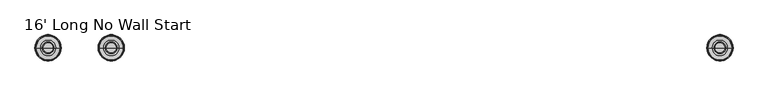
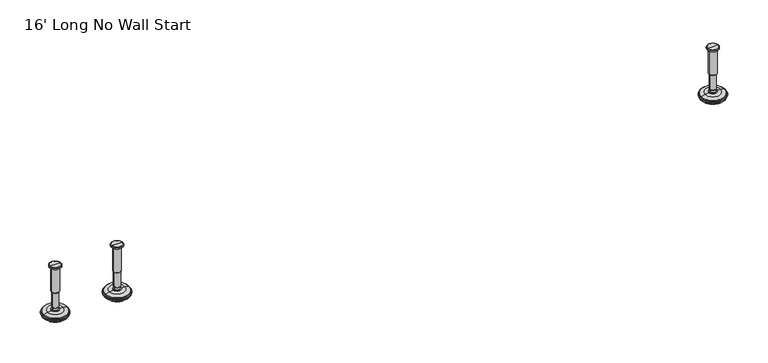
"""IFC4 building model written with IfcOpenShell, lengths in millimetres: furniture geometry, 16' Long No Wall Start."""

from ifc_helpers import new_model, si_unit, frame, origin, place, context, project, spatial, polyline, circle_curve, source, transform, mapped, element, save
from ifc_brep_helpers import plane_surface, cylinder_surface, revolved_surface, advanced_brep


def furniture_16_long_no_wall_start_8f96a8e6(model_context):
    return source(origin(), model_context, "Body", "AdvancedBrep", [
        advanced_brep(
        [(3714.9364323, 0.0, 101.6), (3723.9143537, 0.0, 101.6), (3705.9585109, 0.0, 101.6), (3729.0406722, 0.0, 0.0206943), (3714.9364323, 0.0, 0.0206943), (3700.8321924, 0.0, 0.0206943), (3733.918704, 0.0, 1.4194474), (3695.9541606, 0.0, 1.4194474), (3737.680619, 0.0, 4.7394056), (3692.1922456, 0.0, 4.7394056), (3738.7980686, 0.0, 7.5051905), (3691.074796, 0.0, 7.5051905), (3738.7980686, 0.0, 8.3065967), (3691.074796, 0.0, 8.3065967), (3737.9556654, 0.0, 9.8469348), (3691.9171992, 0.0, 9.8469348), (3736.8555228, 0.0, 10.8375077), (3693.0173418, 0.0, 10.8375077), (3729.5518276, 0.0, 12.7338946), (3700.321037, 0.0, 12.7338946), (3722.1336762, 0.0, 13.3828987), (3707.7391884, 0.0, 13.3828987), (3722.1336762, 0.0, 14.1772758), (3707.7391884, 0.0, 14.1772758), (3719.7368834, 0.0, 14.1772758), (3710.1359812, 0.0, 14.1772758), (3719.7368834, 0.0, 18.8098403), (3710.1359812, 0.0, 18.8098403), (3720.752736, 0.0, 19.8256929), (3709.1201286, 0.0, 19.8256929), (3720.752736, 0.0, 48.3056352), (3709.1201286, 0.0, 48.3056352), (3721.9762639, 0.0, 49.9293116), (3707.8966007, 0.0, 49.9293116), (3721.9762639, 0.0, 97.327223), (3707.8966007, 0.0, 97.327223), (3722.8573683, 0.0, 97.6479188), (3707.0154963, 0.0, 97.6479188), (3723.9063572, 0.0, 97.6479188), (3705.9665074, 0.0, 97.6479188), (3725.5713871, 0.0, 98.6092242), (3704.3014775, 0.0, 98.6092242), (3725.5713871, 0.0, 100.6043539), (3704.3014775, 0.0, 100.6043539)],
        [
            (0, 1),
            (1, 2, circle_curve(frame((3714.9364323, 0.0, 101.6), z_axis=(0.0, 0.0, 1.0), x_axis=(-1.0, 0.0, 0.0)), 8.9779214)),
            (2, 0),
            (2, 1, circle_curve(frame((3714.9364323, 0.0, 101.6), z_axis=(0.0, 0.0, 1.0), x_axis=(-1.0, 0.0, 0.0)), 8.9779214)),
            (3, 4),
            (4, 5),
            (5, 3, circle_curve(frame((3714.9364323, 0.0, 0.0206943), z_axis=(0.0, 0.0, -1.0), x_axis=(-1.0, 0.0, 0.0)), 14.1042399)),
            (3, 5, circle_curve(frame((3714.9364323, 0.0, 0.0206943), z_axis=(0.0, 0.0, -1.0), x_axis=(-1.0, 0.0, 0.0)), 14.1042399)),
            (6, 3),
            (5, 7),
            (7, 6, circle_curve(frame((3714.9364323, 0.0, 1.4194474), z_axis=(0.0, 0.0, -1.0), x_axis=(-1.0, 0.0, 0.0)), 18.9822717)),
            (6, 7, circle_curve(frame((3714.9364323, 0.0, 1.4194474), z_axis=(0.0, 0.0, -1.0), x_axis=(-1.0, 0.0, 0.0)), 18.9822717)),
            (8, 6),
            (7, 9),
            (9, 8, circle_curve(frame((3714.9364323, 0.0, 4.7394056), z_axis=(0.0, 0.0, -1.0), x_axis=(-1.0, 0.0, 0.0)), 22.7441867)),
            (8, 9, circle_curve(frame((3714.9364323, 0.0, 4.7394056), z_axis=(0.0, 0.0, -1.0), x_axis=(-1.0, 0.0, 0.0)), 22.7441867)),
            (10, 8),
            (9, 11),
            (11, 10, circle_curve(frame((3714.9364323, 0.0, 7.5051905), z_axis=(0.0, 0.0, -1.0), x_axis=(-1.0, 0.0, 0.0)), 23.8616363)),
            (10, 11, circle_curve(frame((3714.9364323, 0.0, 7.5051905), z_axis=(0.0, 0.0, -1.0), x_axis=(-1.0, 0.0, 0.0)), 23.8616363)),
            (12, 10),
            (11, 13),
            (13, 12, circle_curve(frame((3714.9364323, 0.0, 8.3065967), z_axis=(0.0, 0.0, -1.0), x_axis=(-1.0, 0.0, 0.0)), 23.8616363)),
            (12, 13, circle_curve(frame((3714.9364323, 0.0, 8.3065967), z_axis=(0.0, 0.0, -1.0), x_axis=(-1.0, 0.0, 0.0)), 23.8616363)),
            (14, 12),
            (13, 15),
            (15, 14, circle_curve(frame((3714.9364323, 0.0, 9.8469348), z_axis=(0.0, 0.0, -1.0), x_axis=(-1.0, 0.0, 0.0)), 23.0192331)),
            (14, 15, circle_curve(frame((3714.9364323, 0.0, 9.8469348), z_axis=(0.0, 0.0, -1.0), x_axis=(-1.0, 0.0, 0.0)), 23.0192331)),
            (16, 14),
            (15, 17),
            (17, 16, circle_curve(frame((3714.9364323, 0.0, 10.8375077), z_axis=(0.0, 0.0, -1.0), x_axis=(-1.0, 0.0, 0.0)), 21.9190905)),
            (16, 17, circle_curve(frame((3714.9364323, 0.0, 10.8375077), z_axis=(0.0, 0.0, -1.0), x_axis=(-1.0, 0.0, 0.0)), 21.9190905)),
            (18, 16),
            (17, 19),
            (19, 18, circle_curve(frame((3714.9364323, 0.0, 12.7338946), z_axis=(0.0, 0.0, -1.0), x_axis=(-1.0, 0.0, 0.0)), 14.6153953)),
            (18, 19, circle_curve(frame((3714.9364323, 0.0, 12.7338946), z_axis=(0.0, 0.0, -1.0), x_axis=(-1.0, 0.0, 0.0)), 14.6153953)),
            (20, 18),
            (19, 21),
            (21, 20, circle_curve(frame((3714.9364323, 0.0, 13.3828987), z_axis=(0.0, 0.0, -1.0), x_axis=(-1.0, 0.0, 0.0)), 7.1972439)),
            (20, 21, circle_curve(frame((3714.9364323, 0.0, 13.3828987), z_axis=(0.0, 0.0, -1.0), x_axis=(-1.0, 0.0, 0.0)), 7.1972439)),
            (22, 20),
            (21, 23),
            (23, 22, circle_curve(frame((3714.9364323, 0.0, 14.1772758), z_axis=(0.0, 0.0, -1.0), x_axis=(-1.0, 0.0, 0.0)), 7.1972439)),
            (22, 23, circle_curve(frame((3714.9364323, 0.0, 14.1772758), z_axis=(0.0, 0.0, -1.0), x_axis=(-1.0, 0.0, 0.0)), 7.1972439)),
            (24, 22),
            (23, 25),
            (25, 24, circle_curve(frame((3714.9364323, 0.0, 14.1772758), z_axis=(0.0, 0.0, -1.0), x_axis=(-1.0, 0.0, 0.0)), 4.8004511)),
            (24, 25, circle_curve(frame((3714.9364323, 0.0, 14.1772758), z_axis=(0.0, 0.0, -1.0), x_axis=(-1.0, 0.0, 0.0)), 4.8004511)),
            (26, 24),
            (25, 27),
            (27, 26, circle_curve(frame((3714.9364323, 0.0, 18.8098403), z_axis=(0.0, 0.0, -1.0), x_axis=(-1.0, 0.0, 0.0)), 4.8004511)),
            (26, 27, circle_curve(frame((3714.9364323, 0.0, 18.8098403), z_axis=(0.0, 0.0, -1.0), x_axis=(-1.0, 0.0, 0.0)), 4.8004511)),
            (28, 26),
            (27, 29),
            (29, 28, circle_curve(frame((3714.9364323, 0.0, 19.8256929), z_axis=(0.0, 0.0, -1.0), x_axis=(-1.0, 0.0, 0.0)), 5.8163037)),
            (28, 29, circle_curve(frame((3714.9364323, 0.0, 19.8256929), z_axis=(0.0, 0.0, -1.0), x_axis=(-1.0, 0.0, 0.0)), 5.8163037)),
            (30, 28),
            (29, 31),
            (31, 30, circle_curve(frame((3714.9364323, 0.0, 48.3056352), z_axis=(0.0, 0.0, -1.0), x_axis=(-1.0, 0.0, 0.0)), 5.8163037)),
            (30, 31, circle_curve(frame((3714.9364323, 0.0, 48.3056352), z_axis=(0.0, 0.0, -1.0), x_axis=(-1.0, 0.0, 0.0)), 5.8163037)),
            (32, 30),
            (31, 33),
            (33, 32, circle_curve(frame((3714.9364323, 0.0, 49.9293116), z_axis=(0.0, 0.0, -1.0), x_axis=(-1.0, 0.0, 0.0)), 7.0398316)),
            (32, 33, circle_curve(frame((3714.9364323, 0.0, 49.9293116), z_axis=(0.0, 0.0, -1.0), x_axis=(-1.0, 0.0, 0.0)), 7.0398316)),
            (34, 32),
            (33, 35),
            (35, 34, circle_curve(frame((3714.9364323, 0.0, 97.327223), z_axis=(0.0, 0.0, -1.0), x_axis=(-1.0, 0.0, 0.0)), 7.0398316)),
            (34, 35, circle_curve(frame((3714.9364323, 0.0, 97.327223), z_axis=(0.0, 0.0, -1.0), x_axis=(-1.0, 0.0, 0.0)), 7.0398316)),
            (36, 34),
            (35, 37),
            (37, 36, circle_curve(frame((3714.9364323, 0.0, 97.6479188), z_axis=(0.0, 0.0, -1.0), x_axis=(-1.0, 0.0, 0.0)), 7.920936)),
            (36, 37, circle_curve(frame((3714.9364323, 0.0, 97.6479188), z_axis=(0.0, 0.0, -1.0), x_axis=(-1.0, 0.0, 0.0)), 7.920936)),
            (38, 36),
            (37, 39),
            (39, 38, circle_curve(frame((3714.9364323, 0.0, 97.6479188), z_axis=(0.0, 0.0, -1.0), x_axis=(-1.0, 0.0, 0.0)), 8.9699249)),
            (38, 39, circle_curve(frame((3714.9364323, 0.0, 97.6479188), z_axis=(0.0, 0.0, -1.0), x_axis=(-1.0, 0.0, 0.0)), 8.9699249)),
            (40, 38),
            (39, 41),
            (41, 40, circle_curve(frame((3714.9364323, 0.0, 98.6092242), z_axis=(0.0, 0.0, -1.0), x_axis=(-1.0, 0.0, 0.0)), 10.6349548)),
            (40, 41, circle_curve(frame((3714.9364323, 0.0, 98.6092242), z_axis=(0.0, 0.0, -1.0), x_axis=(-1.0, 0.0, 0.0)), 10.6349548)),
            (42, 40),
            (41, 43),
            (43, 42, circle_curve(frame((3714.9364323, 0.0, 100.6043539), z_axis=(0.0, 0.0, -1.0), x_axis=(-1.0, 0.0, 0.0)), 10.6349548)),
            (42, 43, circle_curve(frame((3714.9364323, 0.0, 100.6043539), z_axis=(0.0, 0.0, -1.0), x_axis=(-1.0, 0.0, 0.0)), 10.6349548)),
            (1, 42),
            (43, 2),
        ],
        [
            plane_surface(frame((3714.9364323, 0.0, 101.6), z_axis=(0.0, 0.0, 1.0), x_axis=(-1.0, 0.0, 0.0))),
            plane_surface(frame((3714.9364323, 0.0, 0.0206943), z_axis=(0.0, 0.0, -1.0), x_axis=(-1.0, 0.0, 0.0))),
            revolved_surface(polyline([(3700.8321924, 0.0, 0.0206943), (3695.9541606, 0.0, 1.4194474)]), (3714.9364323, 0.0, 101.6), (0.0, 0.0, 1.0)),
            revolved_surface(polyline([(3695.9541606, 0.0, 1.4194474), (3692.1922456, 0.0, 4.7394056)]), (3714.9364323, 0.0, 101.6), (0.0, 0.0, 1.0)),
            revolved_surface(polyline([(3692.1922456, 0.0, 4.7394056), (3691.074796, 0.0, 7.5051905)]), (3714.9364323, 0.0, 101.6), (0.0, 0.0, 1.0)),
            cylinder_surface(frame((3714.9364323, 0.0, 101.6), z_axis=(0.0, 0.0, 1.0), x_axis=(-1.0, 0.0, 0.0)), 23.8616363),
            revolved_surface(polyline([(3691.074796, 0.0, 8.3065967), (3691.9171992, 0.0, 9.8469348)]), (3714.9364323, 0.0, 101.6), (0.0, 0.0, 1.0)),
            revolved_surface(polyline([(3691.9171992, 0.0, 9.8469348), (3693.0173418, 0.0, 10.8375077)]), (3714.9364323, 0.0, 101.6), (0.0, 0.0, 1.0)),
            revolved_surface(polyline([(3693.0173418, 0.0, 10.8375077), (3700.321037, 0.0, 12.7338946)]), (3714.9364323, 0.0, 101.6), (0.0, 0.0, 1.0)),
            revolved_surface(polyline([(3700.321037, 0.0, 12.7338946), (3707.7391884, 0.0, 13.3828987)]), (3714.9364323, 0.0, 101.6), (0.0, 0.0, 1.0)),
            cylinder_surface(frame((3714.9364323, 0.0, 101.6), z_axis=(0.0, 0.0, 1.0), x_axis=(-1.0, 0.0, 0.0)), 7.1972439),
            plane_surface(frame((3714.9364323, 0.0, 14.1772758), z_axis=(0.0, 0.0, 1.0), x_axis=(-1.0, 0.0, 0.0))),
            cylinder_surface(frame((3714.9364323, 0.0, 101.6), z_axis=(0.0, 0.0, 1.0), x_axis=(-1.0, 0.0, 0.0)), 4.8004511),
            revolved_surface(polyline([(3710.1359812, 0.0, 18.8098403), (3709.1201286, 0.0, 19.8256929)]), (3714.9364323, 0.0, 101.6), (0.0, 0.0, 1.0)),
            cylinder_surface(frame((3714.9364323, 0.0, 101.6), z_axis=(0.0, 0.0, 1.0), x_axis=(-1.0, 0.0, 0.0)), 5.8163037),
            revolved_surface(polyline([(3709.1201286, 0.0, 48.3056352), (3707.8966007, 0.0, 49.9293116)]), (3714.9364323, 0.0, 101.6), (0.0, 0.0, 1.0)),
            cylinder_surface(frame((3714.9364323, 0.0, 101.6), z_axis=(0.0, 0.0, 1.0), x_axis=(-1.0, 0.0, 0.0)), 7.0398316),
            revolved_surface(polyline([(3707.8966007, 0.0, 97.327223), (3707.0154963, 0.0, 97.6479188)]), (3714.9364323, 0.0, 101.6), (0.0, 0.0, 1.0)),
            plane_surface(frame((3714.9364323, 0.0, 97.6479188), z_axis=(0.0, 0.0, -1.0), x_axis=(-1.0, 0.0, 0.0))),
            revolved_surface(polyline([(3705.9665074, 0.0, 97.6479188), (3704.3014775, 0.0, 98.6092242)]), (3714.9364323, 0.0, 101.6), (0.0, 0.0, 1.0)),
            cylinder_surface(frame((3714.9364323, 0.0, 101.6), z_axis=(0.0, 0.0, 1.0), x_axis=(-1.0, 0.0, 0.0)), 10.6349548),
            revolved_surface(polyline([(3704.3014775, 0.0, 100.6043539), (3705.9585109, 0.0, 101.6)]), (3714.9364323, 0.0, 101.6), (0.0, 0.0, 1.0)),
        ],
        [
            (0, [[1, 2, 3]]),
            (0, [[-3, 4, -1]]),
            (1, [[5, 6, 7]]),
            (1, [[-6, -5, 8]]),
            (2, [[9, -7, 10, 11]]),
            (2, [[-10, -8, -9, 12]]),
            (3, [[13, -11, 14, 15]]),
            (3, [[-14, -12, -13, 16]]),
            (4, [[17, -15, 18, 19]]),
            (4, [[-18, -16, -17, 20]]),
            (5, [[21, -19, 22, 23]]),
            (5, [[-22, -20, -21, 24]]),
            (6, [[25, -23, 26, 27]]),
            (6, [[-26, -24, -25, 28]]),
            (7, [[29, -27, 30, 31]]),
            (7, [[-30, -28, -29, 32]]),
            (8, [[33, -31, 34, 35]]),
            (8, [[-34, -32, -33, 36]]),
            (9, [[37, -35, 38, 39]]),
            (9, [[-38, -36, -37, 40]]),
            (10, [[41, -39, 42, 43]]),
            (10, [[-42, -40, -41, 44]]),
            (11, [[45, -43, 46, 47]]),
            (11, [[-46, -44, -45, 48]]),
            (12, [[49, -47, 50, 51]]),
            (12, [[-50, -48, -49, 52]]),
            (13, [[53, -51, 54, 55]]),
            (13, [[-54, -52, -53, 56]]),
            (14, [[57, -55, 58, 59]]),
            (14, [[-58, -56, -57, 60]]),
            (15, [[61, -59, 62, 63]]),
            (15, [[-62, -60, -61, 64]]),
            (16, [[65, -63, 66, 67]]),
            (16, [[-66, -64, -65, 68]]),
            (17, [[69, -67, 70, 71]]),
            (17, [[-70, -68, -69, 72]]),
            (18, [[73, -71, 74, 75]]),
            (18, [[-74, -72, -73, 76]]),
            (19, [[77, -75, 78, 79]]),
            (19, [[-78, -76, -77, 80]]),
            (20, [[81, -79, 82, 83]]),
            (20, [[-82, -80, -81, 84]]),
            (21, [[85, -83, 86, -2]]),
            (21, [[-86, -84, -85, -4]]),
        ],
    ),
        advanced_brep(
        [(3600.2635677, 0.0, 101.6), (3609.2414891, 0.0, 101.6), (3591.2856463, 0.0, 101.6), (3586.1593278, 0.0, 0.0206943), (3614.3678076, 0.0, 0.0206943), (3600.2635677, 0.0, 0.0206943), (3581.281296, 0.0, 1.4194474), (3619.2458394, 0.0, 1.4194474), (3577.519381, 0.0, 4.7394056), (3623.0077544, 0.0, 4.7394056), (3576.4019314, 0.0, 7.5051905), (3624.125204, 0.0, 7.5051905), (3576.4019314, 0.0, 8.3065967), (3624.125204, 0.0, 8.3065967), (3577.2443346, 0.0, 9.8469348), (3623.2828008, 0.0, 9.8469348), (3578.3444772, 0.0, 10.8375077), (3622.1826582, 0.0, 10.8375077), (3585.6481724, 0.0, 12.7338946), (3614.878963, 0.0, 12.7338946), (3593.0663238, 0.0, 13.3828987), (3607.4608116, 0.0, 13.3828987), (3593.0663238, 0.0, 14.1772758), (3607.4608116, 0.0, 14.1772758), (3595.4631166, 0.0, 14.1772758), (3605.0640188, 0.0, 14.1772758), (3595.4631166, 0.0, 18.8098403), (3605.0640188, 0.0, 18.8098403), (3594.447264, 0.0, 19.8256929), (3606.0798714, 0.0, 19.8256929), (3594.447264, 0.0, 48.3056352), (3606.0798714, 0.0, 48.3056352), (3593.2237361, 0.0, 49.9293116), (3607.3033993, 0.0, 49.9293116), (3593.2237361, 0.0, 97.327223), (3607.3033993, 0.0, 97.327223), (3592.3426317, 0.0, 97.6479188), (3608.1845037, 0.0, 97.6479188), (3591.2936428, 0.0, 97.6479188), (3609.2334926, 0.0, 97.6479188), (3589.6286129, 0.0, 98.6092242), (3610.8985225, 0.0, 98.6092242), (3589.6286129, 0.0, 100.6043539), (3610.8985225, 0.0, 100.6043539)],
        [
            (0, 1),
            (1, 2, circle_curve(frame((3600.2635677, 0.0, 101.6), z_axis=(0.0, 0.0, 1.0), x_axis=(1.0, 0.0, 0.0)), 8.9779214)),
            (2, 0),
            (2, 1, circle_curve(frame((3600.2635677, 0.0, 101.6), z_axis=(0.0, 0.0, 1.0), x_axis=(1.0, 0.0, 0.0)), 8.9779214)),
            (3, 4, circle_curve(frame((3600.2635677, 0.0, 0.0206943), z_axis=(0.0, 0.0, -1.0), x_axis=(1.0, 0.0, 0.0)), 14.1042399)),
            (4, 5),
            (5, 3),
            (4, 3, circle_curve(frame((3600.2635677, 0.0, 0.0206943), z_axis=(0.0, 0.0, -1.0), x_axis=(1.0, 0.0, 0.0)), 14.1042399)),
            (6, 7, circle_curve(frame((3600.2635677, 0.0, 1.4194474), z_axis=(0.0, 0.0, -1.0), x_axis=(1.0, 0.0, 0.0)), 18.9822717)),
            (7, 4),
            (3, 6),
            (7, 6, circle_curve(frame((3600.2635677, 0.0, 1.4194474), z_axis=(0.0, 0.0, -1.0), x_axis=(1.0, 0.0, 0.0)), 18.9822717)),
            (8, 9, circle_curve(frame((3600.2635677, 0.0, 4.7394056), z_axis=(0.0, 0.0, -1.0), x_axis=(1.0, 0.0, 0.0)), 22.7441867)),
            (9, 7),
            (6, 8),
            (9, 8, circle_curve(frame((3600.2635677, 0.0, 4.7394056), z_axis=(0.0, 0.0, -1.0), x_axis=(1.0, 0.0, 0.0)), 22.7441867)),
            (10, 11, circle_curve(frame((3600.2635677, 0.0, 7.5051905), z_axis=(0.0, 0.0, -1.0), x_axis=(1.0, 0.0, 0.0)), 23.8616363)),
            (11, 9),
            (8, 10),
            (11, 10, circle_curve(frame((3600.2635677, 0.0, 7.5051905), z_axis=(0.0, 0.0, -1.0), x_axis=(1.0, 0.0, 0.0)), 23.8616363)),
            (12, 13, circle_curve(frame((3600.2635677, 0.0, 8.3065967), z_axis=(0.0, 0.0, -1.0), x_axis=(1.0, 0.0, 0.0)), 23.8616363)),
            (13, 11),
            (10, 12),
            (13, 12, circle_curve(frame((3600.2635677, 0.0, 8.3065967), z_axis=(0.0, 0.0, -1.0), x_axis=(1.0, 0.0, 0.0)), 23.8616363)),
            (14, 15, circle_curve(frame((3600.2635677, 0.0, 9.8469348), z_axis=(0.0, 0.0, -1.0), x_axis=(1.0, 0.0, 0.0)), 23.0192331)),
            (15, 13),
            (12, 14),
            (15, 14, circle_curve(frame((3600.2635677, 0.0, 9.8469348), z_axis=(0.0, 0.0, -1.0), x_axis=(1.0, 0.0, 0.0)), 23.0192331)),
            (16, 17, circle_curve(frame((3600.2635677, 0.0, 10.8375077), z_axis=(0.0, 0.0, -1.0), x_axis=(1.0, 0.0, 0.0)), 21.9190905)),
            (17, 15),
            (14, 16),
            (17, 16, circle_curve(frame((3600.2635677, 0.0, 10.8375077), z_axis=(0.0, 0.0, -1.0), x_axis=(1.0, 0.0, 0.0)), 21.9190905)),
            (18, 19, circle_curve(frame((3600.2635677, 0.0, 12.7338946), z_axis=(0.0, 0.0, -1.0), x_axis=(1.0, 0.0, 0.0)), 14.6153953)),
            (19, 17),
            (16, 18),
            (19, 18, circle_curve(frame((3600.2635677, 0.0, 12.7338946), z_axis=(0.0, 0.0, -1.0), x_axis=(1.0, 0.0, 0.0)), 14.6153953)),
            (20, 21, circle_curve(frame((3600.2635677, 0.0, 13.3828987), z_axis=(0.0, 0.0, -1.0), x_axis=(1.0, 0.0, 0.0)), 7.1972439)),
            (21, 19),
            (18, 20),
            (21, 20, circle_curve(frame((3600.2635677, 0.0, 13.3828987), z_axis=(0.0, 0.0, -1.0), x_axis=(1.0, 0.0, 0.0)), 7.1972439)),
            (22, 23, circle_curve(frame((3600.2635677, 0.0, 14.1772758), z_axis=(0.0, 0.0, -1.0), x_axis=(1.0, 0.0, 0.0)), 7.1972439)),
            (23, 21),
            (20, 22),
            (23, 22, circle_curve(frame((3600.2635677, 0.0, 14.1772758), z_axis=(0.0, 0.0, -1.0), x_axis=(1.0, 0.0, 0.0)), 7.1972439)),
            (24, 25, circle_curve(frame((3600.2635677, 0.0, 14.1772758), z_axis=(0.0, 0.0, -1.0), x_axis=(1.0, 0.0, 0.0)), 4.8004511)),
            (25, 23),
            (22, 24),
            (25, 24, circle_curve(frame((3600.2635677, 0.0, 14.1772758), z_axis=(0.0, 0.0, -1.0), x_axis=(1.0, 0.0, 0.0)), 4.8004511)),
            (26, 27, circle_curve(frame((3600.2635677, 0.0, 18.8098403), z_axis=(0.0, 0.0, -1.0), x_axis=(1.0, 0.0, 0.0)), 4.8004511)),
            (27, 25),
            (24, 26),
            (27, 26, circle_curve(frame((3600.2635677, 0.0, 18.8098403), z_axis=(0.0, 0.0, -1.0), x_axis=(1.0, 0.0, 0.0)), 4.8004511)),
            (28, 29, circle_curve(frame((3600.2635677, 0.0, 19.8256929), z_axis=(0.0, 0.0, -1.0), x_axis=(1.0, 0.0, 0.0)), 5.8163037)),
            (29, 27),
            (26, 28),
            (29, 28, circle_curve(frame((3600.2635677, 0.0, 19.8256929), z_axis=(0.0, 0.0, -1.0), x_axis=(1.0, 0.0, 0.0)), 5.8163037)),
            (30, 31, circle_curve(frame((3600.2635677, 0.0, 48.3056352), z_axis=(0.0, 0.0, -1.0), x_axis=(1.0, 0.0, 0.0)), 5.8163037)),
            (31, 29),
            (28, 30),
            (31, 30, circle_curve(frame((3600.2635677, 0.0, 48.3056352), z_axis=(0.0, 0.0, -1.0), x_axis=(1.0, 0.0, 0.0)), 5.8163037)),
            (32, 33, circle_curve(frame((3600.2635677, 0.0, 49.9293116), z_axis=(0.0, 0.0, -1.0), x_axis=(1.0, 0.0, 0.0)), 7.0398316)),
            (33, 31),
            (30, 32),
            (33, 32, circle_curve(frame((3600.2635677, 0.0, 49.9293116), z_axis=(0.0, 0.0, -1.0), x_axis=(1.0, 0.0, 0.0)), 7.0398316)),
            (34, 35, circle_curve(frame((3600.2635677, 0.0, 97.327223), z_axis=(0.0, 0.0, -1.0), x_axis=(1.0, 0.0, 0.0)), 7.0398316)),
            (35, 33),
            (32, 34),
            (35, 34, circle_curve(frame((3600.2635677, 0.0, 97.327223), z_axis=(0.0, 0.0, -1.0), x_axis=(1.0, 0.0, 0.0)), 7.0398316)),
            (36, 37, circle_curve(frame((3600.2635677, 0.0, 97.6479188), z_axis=(0.0, 0.0, -1.0), x_axis=(1.0, 0.0, 0.0)), 7.920936)),
            (37, 35),
            (34, 36),
            (37, 36, circle_curve(frame((3600.2635677, 0.0, 97.6479188), z_axis=(0.0, 0.0, -1.0), x_axis=(1.0, 0.0, 0.0)), 7.920936)),
            (38, 39, circle_curve(frame((3600.2635677, 0.0, 97.6479188), z_axis=(0.0, 0.0, -1.0), x_axis=(1.0, 0.0, 0.0)), 8.9699249)),
            (39, 37),
            (36, 38),
            (39, 38, circle_curve(frame((3600.2635677, 0.0, 97.6479188), z_axis=(0.0, 0.0, -1.0), x_axis=(1.0, 0.0, 0.0)), 8.9699249)),
            (40, 41, circle_curve(frame((3600.2635677, 0.0, 98.6092242), z_axis=(0.0, 0.0, -1.0), x_axis=(1.0, 0.0, 0.0)), 10.6349548)),
            (41, 39),
            (38, 40),
            (41, 40, circle_curve(frame((3600.2635677, 0.0, 98.6092242), z_axis=(0.0, 0.0, -1.0), x_axis=(1.0, 0.0, 0.0)), 10.6349548)),
            (42, 43, circle_curve(frame((3600.2635677, 0.0, 100.6043539), z_axis=(0.0, 0.0, -1.0), x_axis=(1.0, 0.0, 0.0)), 10.6349548)),
            (43, 41),
            (40, 42),
            (43, 42, circle_curve(frame((3600.2635677, 0.0, 100.6043539), z_axis=(0.0, 0.0, -1.0), x_axis=(1.0, 0.0, 0.0)), 10.6349548)),
            (1, 43),
            (42, 2),
        ],
        [
            plane_surface(frame((3600.2635677, 0.0, 101.6), z_axis=(0.0, 0.0, 1.0), x_axis=(1.0, 0.0, 0.0))),
            plane_surface(frame((3600.2635677, 0.0, 0.0206943), z_axis=(0.0, 0.0, -1.0), x_axis=(1.0, 0.0, 0.0))),
            revolved_surface(polyline([(3614.3678076, 0.0, 0.0206943), (3619.2458394, 0.0, 1.4194474)]), (3600.2635677, 0.0, 101.6), (0.0, 0.0, 1.0)),
            revolved_surface(polyline([(3619.2458394, 0.0, 1.4194474), (3623.0077544, 0.0, 4.7394056)]), (3600.2635677, 0.0, 101.6), (0.0, 0.0, 1.0)),
            revolved_surface(polyline([(3623.0077544, 0.0, 4.7394056), (3624.125204, 0.0, 7.5051905)]), (3600.2635677, 0.0, 101.6), (0.0, 0.0, 1.0)),
            cylinder_surface(frame((3600.2635677, 0.0, 101.6), z_axis=(0.0, 0.0, 1.0), x_axis=(1.0, 0.0, 0.0)), 23.8616363),
            revolved_surface(polyline([(3624.125204, 0.0, 8.3065967), (3623.2828008, 0.0, 9.8469348)]), (3600.2635677, 0.0, 101.6), (0.0, 0.0, 1.0)),
            revolved_surface(polyline([(3623.2828008, 0.0, 9.8469348), (3622.1826582, 0.0, 10.8375077)]), (3600.2635677, 0.0, 101.6), (0.0, 0.0, 1.0)),
            revolved_surface(polyline([(3622.1826582, 0.0, 10.8375077), (3614.878963, 0.0, 12.7338946)]), (3600.2635677, 0.0, 101.6), (0.0, 0.0, 1.0)),
            revolved_surface(polyline([(3614.878963, 0.0, 12.7338946), (3607.4608116, 0.0, 13.3828987)]), (3600.2635677, 0.0, 101.6), (0.0, 0.0, 1.0)),
            cylinder_surface(frame((3600.2635677, 0.0, 101.6), z_axis=(0.0, 0.0, 1.0), x_axis=(1.0, 0.0, 0.0)), 7.1972439),
            plane_surface(frame((3600.2635677, 0.0, 14.1772758), z_axis=(0.0, 0.0, 1.0), x_axis=(1.0, 0.0, 0.0))),
            cylinder_surface(frame((3600.2635677, 0.0, 101.6), z_axis=(0.0, 0.0, 1.0), x_axis=(1.0, 0.0, 0.0)), 4.8004511),
            revolved_surface(polyline([(3605.0640188, 0.0, 18.8098403), (3606.0798714, 0.0, 19.8256929)]), (3600.2635677, 0.0, 101.6), (0.0, 0.0, 1.0)),
            cylinder_surface(frame((3600.2635677, 0.0, 101.6), z_axis=(0.0, 0.0, 1.0), x_axis=(1.0, 0.0, 0.0)), 5.8163037),
            revolved_surface(polyline([(3606.0798714, 0.0, 48.3056352), (3607.3033993, 0.0, 49.9293116)]), (3600.2635677, 0.0, 101.6), (0.0, 0.0, 1.0)),
            cylinder_surface(frame((3600.2635677, 0.0, 101.6), z_axis=(0.0, 0.0, 1.0), x_axis=(1.0, 0.0, 0.0)), 7.0398316),
            revolved_surface(polyline([(3607.3033993, 0.0, 97.327223), (3608.1845037, 0.0, 97.6479188)]), (3600.2635677, 0.0, 101.6), (0.0, 0.0, 1.0)),
            plane_surface(frame((3600.2635677, 0.0, 97.6479188), z_axis=(0.0, 0.0, -1.0), x_axis=(1.0, 0.0, 0.0))),
            revolved_surface(polyline([(3609.2334926, 0.0, 97.6479188), (3610.8985225, 0.0, 98.6092242)]), (3600.2635677, 0.0, 101.6), (0.0, 0.0, 1.0)),
            cylinder_surface(frame((3600.2635677, 0.0, 101.6), z_axis=(0.0, 0.0, 1.0), x_axis=(1.0, 0.0, 0.0)), 10.6349548),
            revolved_surface(polyline([(3610.8985225, 0.0, 100.6043539), (3609.2414891, 0.0, 101.6)]), (3600.2635677, 0.0, 101.6), (0.0, 0.0, 1.0)),
        ],
        [
            (0, [[1, 2, 3]]),
            (0, [[-3, 4, -1]]),
            (1, [[5, 6, 7]]),
            (1, [[8, -7, -6]]),
            (2, [[9, 10, -5, 11]]),
            (2, [[12, -11, -8, -10]]),
            (3, [[13, 14, -9, 15]]),
            (3, [[16, -15, -12, -14]]),
            (4, [[17, 18, -13, 19]]),
            (4, [[20, -19, -16, -18]]),
            (5, [[21, 22, -17, 23]]),
            (5, [[24, -23, -20, -22]]),
            (6, [[25, 26, -21, 27]]),
            (6, [[28, -27, -24, -26]]),
            (7, [[29, 30, -25, 31]]),
            (7, [[32, -31, -28, -30]]),
            (8, [[33, 34, -29, 35]]),
            (8, [[36, -35, -32, -34]]),
            (9, [[37, 38, -33, 39]]),
            (9, [[40, -39, -36, -38]]),
            (10, [[41, 42, -37, 43]]),
            (10, [[44, -43, -40, -42]]),
            (11, [[45, 46, -41, 47]]),
            (11, [[48, -47, -44, -46]]),
            (12, [[49, 50, -45, 51]]),
            (12, [[52, -51, -48, -50]]),
            (13, [[53, 54, -49, 55]]),
            (13, [[56, -55, -52, -54]]),
            (14, [[57, 58, -53, 59]]),
            (14, [[60, -59, -56, -58]]),
            (15, [[61, 62, -57, 63]]),
            (15, [[64, -63, -60, -62]]),
            (16, [[65, 66, -61, 67]]),
            (16, [[68, -67, -64, -66]]),
            (17, [[69, 70, -65, 71]]),
            (17, [[72, -71, -68, -70]]),
            (18, [[73, 74, -69, 75]]),
            (18, [[76, -75, -72, -74]]),
            (19, [[77, 78, -73, 79]]),
            (19, [[80, -79, -76, -78]]),
            (20, [[81, 82, -77, 83]]),
            (20, [[84, -83, -80, -82]]),
            (21, [[-2, 85, -81, 86]]),
            (21, [[-4, -86, -84, -85]]),
        ],
    ),
        advanced_brep(
        [(4819.7372135, 0.0, 101.6), (4828.715135, 0.0, 101.6), (4810.7592921, 0.0, 101.6), (4833.8414535, 0.0, 0.0206943), (4819.7372135, 0.0, 0.0206943), (4805.6329736, 0.0, 0.0206943), (4838.7194852, 0.0, 1.4194474), (4800.7549419, 0.0, 1.4194474), (4842.4814003, 0.0, 4.7394056), (4796.9930268, 0.0, 4.7394056), (4843.5988499, 0.0, 7.5051905), (4795.8755772, 0.0, 7.5051905), (4843.5988499, 0.0, 8.3065967), (4795.8755772, 0.0, 8.3065967), (4842.7564467, 0.0, 9.8469348), (4796.7179804, 0.0, 9.8469348), (4841.656304, 0.0, 10.8375077), (4797.8181231, 0.0, 10.8375077), (4834.3526088, 0.0, 12.7338946), (4805.1218183, 0.0, 12.7338946), (4826.9344574, 0.0, 13.3828987), (4812.5399696, 0.0, 13.3828987), (4826.9344574, 0.0, 14.1772758), (4812.5399696, 0.0, 14.1772758), (4824.5376646, 0.0, 14.1772758), (4814.9367625, 0.0, 14.1772758), (4824.5376646, 0.0, 18.8098403), (4814.9367625, 0.0, 18.8098403), (4825.5535173, 0.0, 19.8256929), (4813.9209098, 0.0, 19.8256929), (4825.5535173, 0.0, 48.3056352), (4813.9209098, 0.0, 48.3056352), (4826.7770452, 0.0, 49.9293116), (4812.6973819, 0.0, 49.9293116), (4826.7770452, 0.0, 97.327223), (4812.6973819, 0.0, 97.327223), (4827.6581495, 0.0, 97.6479188), (4811.8162776, 0.0, 97.6479188), (4828.7071385, 0.0, 97.6479188), (4810.7672886, 0.0, 97.6479188), (4830.3721684, 0.0, 98.6092242), (4809.1022587, 0.0, 98.6092242), (4830.3721684, 0.0, 100.6043539), (4809.1022587, 0.0, 100.6043539)],
        [
            (0, 1),
            (1, 2, circle_curve(frame((4819.7372135, 0.0, 101.6), z_axis=(0.0, 0.0, 1.0), x_axis=(-1.0, 0.0, 0.0)), 8.9779214)),
            (2, 0),
            (2, 1, circle_curve(frame((4819.7372135, 0.0, 101.6), z_axis=(0.0, 0.0, 1.0), x_axis=(-1.0, 0.0, 0.0)), 8.9779214)),
            (3, 4),
            (4, 5),
            (5, 3, circle_curve(frame((4819.7372135, 0.0, 0.0206943), z_axis=(0.0, 0.0, -1.0), x_axis=(-1.0, 0.0, 0.0)), 14.1042399)),
            (3, 5, circle_curve(frame((4819.7372135, 0.0, 0.0206943), z_axis=(0.0, 0.0, -1.0), x_axis=(-1.0, 0.0, 0.0)), 14.1042399)),
            (6, 3),
            (5, 7),
            (7, 6, circle_curve(frame((4819.7372135, 0.0, 1.4194474), z_axis=(0.0, 0.0, -1.0), x_axis=(-1.0, 0.0, 0.0)), 18.9822717)),
            (6, 7, circle_curve(frame((4819.7372135, 0.0, 1.4194474), z_axis=(0.0, 0.0, -1.0), x_axis=(-1.0, 0.0, 0.0)), 18.9822717)),
            (8, 6),
            (7, 9),
            (9, 8, circle_curve(frame((4819.7372135, 0.0, 4.7394056), z_axis=(0.0, 0.0, -1.0), x_axis=(-1.0, 0.0, 0.0)), 22.7441867)),
            (8, 9, circle_curve(frame((4819.7372135, 0.0, 4.7394056), z_axis=(0.0, 0.0, -1.0), x_axis=(-1.0, 0.0, 0.0)), 22.7441867)),
            (10, 8),
            (9, 11),
            (11, 10, circle_curve(frame((4819.7372135, 0.0, 7.5051905), z_axis=(0.0, 0.0, -1.0), x_axis=(-1.0, 0.0, 0.0)), 23.8616363)),
            (10, 11, circle_curve(frame((4819.7372135, 0.0, 7.5051905), z_axis=(0.0, 0.0, -1.0), x_axis=(-1.0, 0.0, 0.0)), 23.8616363)),
            (12, 10),
            (11, 13),
            (13, 12, circle_curve(frame((4819.7372135, 0.0, 8.3065967), z_axis=(0.0, 0.0, -1.0), x_axis=(-1.0, 0.0, 0.0)), 23.8616363)),
            (12, 13, circle_curve(frame((4819.7372135, 0.0, 8.3065967), z_axis=(0.0, 0.0, -1.0), x_axis=(-1.0, 0.0, 0.0)), 23.8616363)),
            (14, 12),
            (13, 15),
            (15, 14, circle_curve(frame((4819.7372135, 0.0, 9.8469348), z_axis=(0.0, 0.0, -1.0), x_axis=(-1.0, 0.0, 0.0)), 23.0192331)),
            (14, 15, circle_curve(frame((4819.7372135, 0.0, 9.8469348), z_axis=(0.0, 0.0, -1.0), x_axis=(-1.0, 0.0, 0.0)), 23.0192331)),
            (16, 14),
            (15, 17),
            (17, 16, circle_curve(frame((4819.7372135, 0.0, 10.8375077), z_axis=(0.0, 0.0, -1.0), x_axis=(-1.0, 0.0, 0.0)), 21.9190905)),
            (16, 17, circle_curve(frame((4819.7372135, 0.0, 10.8375077), z_axis=(0.0, 0.0, -1.0), x_axis=(-1.0, 0.0, 0.0)), 21.9190905)),
            (18, 16),
            (17, 19),
            (19, 18, circle_curve(frame((4819.7372135, 0.0, 12.7338946), z_axis=(0.0, 0.0, -1.0), x_axis=(-1.0, 0.0, 0.0)), 14.6153953)),
            (18, 19, circle_curve(frame((4819.7372135, 0.0, 12.7338946), z_axis=(0.0, 0.0, -1.0), x_axis=(-1.0, 0.0, 0.0)), 14.6153953)),
            (20, 18),
            (19, 21),
            (21, 20, circle_curve(frame((4819.7372135, 0.0, 13.3828987), z_axis=(0.0, 0.0, -1.0), x_axis=(-1.0, 0.0, 0.0)), 7.1972439)),
            (20, 21, circle_curve(frame((4819.7372135, 0.0, 13.3828987), z_axis=(0.0, 0.0, -1.0), x_axis=(-1.0, 0.0, 0.0)), 7.1972439)),
            (22, 20),
            (21, 23),
            (23, 22, circle_curve(frame((4819.7372135, 0.0, 14.1772758), z_axis=(0.0, 0.0, -1.0), x_axis=(-1.0, 0.0, 0.0)), 7.1972439)),
            (22, 23, circle_curve(frame((4819.7372135, 0.0, 14.1772758), z_axis=(0.0, 0.0, -1.0), x_axis=(-1.0, 0.0, 0.0)), 7.1972439)),
            (24, 22),
            (23, 25),
            (25, 24, circle_curve(frame((4819.7372135, 0.0, 14.1772758), z_axis=(0.0, 0.0, -1.0), x_axis=(-1.0, 0.0, 0.0)), 4.8004511)),
            (24, 25, circle_curve(frame((4819.7372135, 0.0, 14.1772758), z_axis=(0.0, 0.0, -1.0), x_axis=(-1.0, 0.0, 0.0)), 4.8004511)),
            (26, 24),
            (25, 27),
            (27, 26, circle_curve(frame((4819.7372135, 0.0, 18.8098403), z_axis=(0.0, 0.0, -1.0), x_axis=(-1.0, 0.0, 0.0)), 4.8004511)),
            (26, 27, circle_curve(frame((4819.7372135, 0.0, 18.8098403), z_axis=(0.0, 0.0, -1.0), x_axis=(-1.0, 0.0, 0.0)), 4.8004511)),
            (28, 26),
            (27, 29),
            (29, 28, circle_curve(frame((4819.7372135, 0.0, 19.8256929), z_axis=(0.0, 0.0, -1.0), x_axis=(-1.0, 0.0, 0.0)), 5.8163037)),
            (28, 29, circle_curve(frame((4819.7372135, 0.0, 19.8256929), z_axis=(0.0, 0.0, -1.0), x_axis=(-1.0, 0.0, 0.0)), 5.8163037)),
            (30, 28),
            (29, 31),
            (31, 30, circle_curve(frame((4819.7372135, 0.0, 48.3056352), z_axis=(0.0, 0.0, -1.0), x_axis=(-1.0, 0.0, 0.0)), 5.8163037)),
            (30, 31, circle_curve(frame((4819.7372135, 0.0, 48.3056352), z_axis=(0.0, 0.0, -1.0), x_axis=(-1.0, 0.0, 0.0)), 5.8163037)),
            (32, 30),
            (31, 33),
            (33, 32, circle_curve(frame((4819.7372135, 0.0, 49.9293116), z_axis=(0.0, 0.0, -1.0), x_axis=(-1.0, 0.0, 0.0)), 7.0398316)),
            (32, 33, circle_curve(frame((4819.7372135, 0.0, 49.9293116), z_axis=(0.0, 0.0, -1.0), x_axis=(-1.0, 0.0, 0.0)), 7.0398316)),
            (34, 32),
            (33, 35),
            (35, 34, circle_curve(frame((4819.7372135, 0.0, 97.327223), z_axis=(0.0, 0.0, -1.0), x_axis=(-1.0, 0.0, 0.0)), 7.0398316)),
            (34, 35, circle_curve(frame((4819.7372135, 0.0, 97.327223), z_axis=(0.0, 0.0, -1.0), x_axis=(-1.0, 0.0, 0.0)), 7.0398316)),
            (36, 34),
            (35, 37),
            (37, 36, circle_curve(frame((4819.7372135, 0.0, 97.6479188), z_axis=(0.0, 0.0, -1.0), x_axis=(-1.0, 0.0, 0.0)), 7.920936)),
            (36, 37, circle_curve(frame((4819.7372135, 0.0, 97.6479188), z_axis=(0.0, 0.0, -1.0), x_axis=(-1.0, 0.0, 0.0)), 7.920936)),
            (38, 36),
            (37, 39),
            (39, 38, circle_curve(frame((4819.7372135, 0.0, 97.6479188), z_axis=(0.0, 0.0, -1.0), x_axis=(-1.0, 0.0, 0.0)), 8.9699249)),
            (38, 39, circle_curve(frame((4819.7372135, 0.0, 97.6479188), z_axis=(0.0, 0.0, -1.0), x_axis=(-1.0, 0.0, 0.0)), 8.9699249)),
            (40, 38),
            (39, 41),
            (41, 40, circle_curve(frame((4819.7372135, 0.0, 98.6092242), z_axis=(0.0, 0.0, -1.0), x_axis=(-1.0, 0.0, 0.0)), 10.6349548)),
            (40, 41, circle_curve(frame((4819.7372135, 0.0, 98.6092242), z_axis=(0.0, 0.0, -1.0), x_axis=(-1.0, 0.0, 0.0)), 10.6349548)),
            (42, 40),
            (41, 43),
            (43, 42, circle_curve(frame((4819.7372135, 0.0, 100.6043539), z_axis=(0.0, 0.0, -1.0), x_axis=(-1.0, 0.0, 0.0)), 10.6349548)),
            (42, 43, circle_curve(frame((4819.7372135, 0.0, 100.6043539), z_axis=(0.0, 0.0, -1.0), x_axis=(-1.0, 0.0, 0.0)), 10.6349548)),
            (1, 42),
            (43, 2),
        ],
        [
            plane_surface(frame((4819.7372135, 0.0, 101.6), z_axis=(0.0, 0.0, 1.0), x_axis=(-1.0, 0.0, 0.0))),
            plane_surface(frame((4819.7372135, 0.0, 0.0206943), z_axis=(0.0, 0.0, -1.0), x_axis=(-1.0, 0.0, 0.0))),
            revolved_surface(polyline([(4805.6329736, 0.0, 0.0206943), (4800.7549419, 0.0, 1.4194474)]), (4819.7372135, 0.0, 101.6), (0.0, 0.0, 1.0)),
            revolved_surface(polyline([(4800.7549419, 0.0, 1.4194474), (4796.9930268, 0.0, 4.7394056)]), (4819.7372135, 0.0, 101.6), (0.0, 0.0, 1.0)),
            revolved_surface(polyline([(4796.9930268, 0.0, 4.7394056), (4795.8755772, 0.0, 7.5051905)]), (4819.7372135, 0.0, 101.6), (0.0, 0.0, 1.0)),
            cylinder_surface(frame((4819.7372135, 0.0, 101.6), z_axis=(0.0, 0.0, 1.0), x_axis=(-1.0, 0.0, 0.0)), 23.8616363),
            revolved_surface(polyline([(4795.8755772, 0.0, 8.3065967), (4796.7179804, 0.0, 9.8469348)]), (4819.7372135, 0.0, 101.6), (0.0, 0.0, 1.0)),
            revolved_surface(polyline([(4796.7179804, 0.0, 9.8469348), (4797.8181231, 0.0, 10.8375077)]), (4819.7372135, 0.0, 101.6), (0.0, 0.0, 1.0)),
            revolved_surface(polyline([(4797.8181231, 0.0, 10.8375077), (4805.1218183, 0.0, 12.7338946)]), (4819.7372135, 0.0, 101.6), (0.0, 0.0, 1.0)),
            revolved_surface(polyline([(4805.1218183, 0.0, 12.7338946), (4812.5399696, 0.0, 13.3828987)]), (4819.7372135, 0.0, 101.6), (0.0, 0.0, 1.0)),
            cylinder_surface(frame((4819.7372135, 0.0, 101.6), z_axis=(0.0, 0.0, 1.0), x_axis=(-1.0, 0.0, 0.0)), 7.1972439),
            plane_surface(frame((4819.7372135, 0.0, 14.1772758), z_axis=(0.0, 0.0, 1.0), x_axis=(-1.0, 0.0, 0.0))),
            cylinder_surface(frame((4819.7372135, 0.0, 101.6), z_axis=(0.0, 0.0, 1.0), x_axis=(-1.0, 0.0, 0.0)), 4.8004511),
            revolved_surface(polyline([(4814.9367625, 0.0, 18.8098403), (4813.9209098, 0.0, 19.8256929)]), (4819.7372135, 0.0, 101.6), (0.0, 0.0, 1.0)),
            cylinder_surface(frame((4819.7372135, 0.0, 101.6), z_axis=(0.0, 0.0, 1.0), x_axis=(-1.0, 0.0, 0.0)), 5.8163037),
            revolved_surface(polyline([(4813.9209098, 0.0, 48.3056352), (4812.6973819, 0.0, 49.9293116)]), (4819.7372135, 0.0, 101.6), (0.0, 0.0, 1.0)),
            cylinder_surface(frame((4819.7372135, 0.0, 101.6), z_axis=(0.0, 0.0, 1.0), x_axis=(-1.0, 0.0, 0.0)), 7.0398316),
            revolved_surface(polyline([(4812.6973819, 0.0, 97.327223), (4811.8162776, 0.0, 97.6479188)]), (4819.7372135, 0.0, 101.6), (0.0, 0.0, 1.0)),
            plane_surface(frame((4819.7372135, 0.0, 97.6479188), z_axis=(0.0, 0.0, -1.0), x_axis=(-1.0, 0.0, 0.0))),
            revolved_surface(polyline([(4810.7672886, 0.0, 97.6479188), (4809.1022587, 0.0, 98.6092242)]), (4819.7372135, 0.0, 101.6), (0.0, 0.0, 1.0)),
            cylinder_surface(frame((4819.7372135, 0.0, 101.6), z_axis=(0.0, 0.0, 1.0), x_axis=(-1.0, 0.0, 0.0)), 10.6349548),
            revolved_surface(polyline([(4809.1022587, 0.0, 100.6043539), (4810.7592921, 0.0, 101.6)]), (4819.7372135, 0.0, 101.6), (0.0, 0.0, 1.0)),
        ],
        [
            (0, [[1, 2, 3]]),
            (0, [[-3, 4, -1]]),
            (1, [[5, 6, 7]]),
            (1, [[-6, -5, 8]]),
            (2, [[9, -7, 10, 11]]),
            (2, [[-10, -8, -9, 12]]),
            (3, [[13, -11, 14, 15]]),
            (3, [[-14, -12, -13, 16]]),
            (4, [[17, -15, 18, 19]]),
            (4, [[-18, -16, -17, 20]]),
            (5, [[21, -19, 22, 23]]),
            (5, [[-22, -20, -21, 24]]),
            (6, [[25, -23, 26, 27]]),
            (6, [[-26, -24, -25, 28]]),
            (7, [[29, -27, 30, 31]]),
            (7, [[-30, -28, -29, 32]]),
            (8, [[33, -31, 34, 35]]),
            (8, [[-34, -32, -33, 36]]),
            (9, [[37, -35, 38, 39]]),
            (9, [[-38, -36, -37, 40]]),
            (10, [[41, -39, 42, 43]]),
            (10, [[-42, -40, -41, 44]]),
            (11, [[45, -43, 46, 47]]),
            (11, [[-46, -44, -45, 48]]),
            (12, [[49, -47, 50, 51]]),
            (12, [[-50, -48, -49, 52]]),
            (13, [[53, -51, 54, 55]]),
            (13, [[-54, -52, -53, 56]]),
            (14, [[57, -55, 58, 59]]),
            (14, [[-58, -56, -57, 60]]),
            (15, [[61, -59, 62, 63]]),
            (15, [[-62, -60, -61, 64]]),
            (16, [[65, -63, 66, 67]]),
            (16, [[-66, -64, -65, 68]]),
            (17, [[69, -67, 70, 71]]),
            (17, [[-70, -68, -69, 72]]),
            (18, [[73, -71, 74, 75]]),
            (18, [[-74, -72, -73, 76]]),
            (19, [[77, -75, 78, 79]]),
            (19, [[-78, -76, -77, 80]]),
            (20, [[81, -79, 82, 83]]),
            (20, [[-82, -80, -81, 84]]),
            (21, [[85, -83, 86, -2]]),
            (21, [[-86, -84, -85, -4]]),
        ],
    ),
    ])


if __name__ == "__main__":
    model = new_model("IFC4")
    model_context = context("Model", 3, world=origin())
    ifc_project = project(units=[si_unit("LENGTHUNIT", "METRE", prefix="MILLI")], contexts=[model_context])
    site = spatial("IfcSite", under=ifc_project)
    building = spatial("IfcBuilding", under=site)
    placement = place(None, origin())
    furniture_16_long_no_wall_start_shape = furniture_16_long_no_wall_start_8f96a8e6(model_context)
    element("IfcFurniture", 1, ObjectType="16' Long No Wall Start", at=placement, inside=building, context=model_context, shape_type="MappedRepresentation", body=[
        mapped(furniture_16_long_no_wall_start_shape, transform((0.0, 0.0, 0.0), x_axis=(1.0, 0.0, 0.0), y_axis=(0.0, 1.0, 0.0), z_axis=(0.0, 0.0, 1.0))),
    ])
    save(model, "model.ifc")
